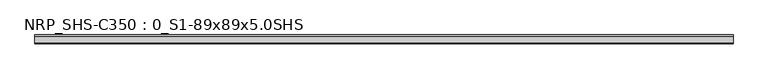
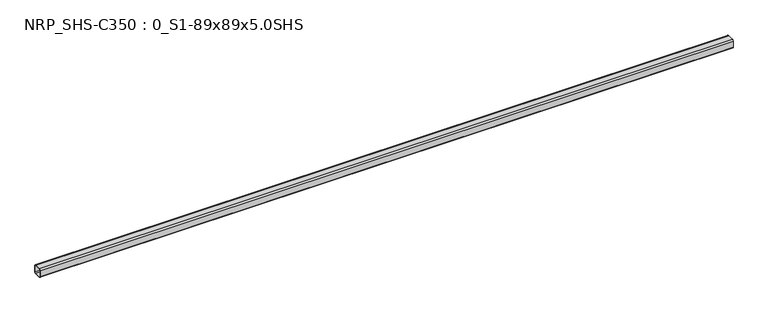
"""IFC4 building model written with IfcOpenShell, lengths in millimetres: beam geometry, NRP_SHS-C350 : 0_S1-89x89x5.0SHS."""

from ifc_helpers import new_model, si_unit, point, frame, frame_2d, origin, place, context, project, spatial, polyline, circle_curve, trimmed, segment, composite_curve, outline, extrude, source, transform, mapped, element, save


def nrp_shs_c350_0_s1_89x89x5_0shs_0ec16a89(model_context):
    return source(origin(), model_context, "Body", "SweptSolid", [
        extrude(outline(composite_curve([segment(polyline([(44.5, 32.0), (44.5, -32.0)]), True, "CONTINUOUS"), segment(trimmed(circle_curve(frame_2d((32.0, -32.0)), 12.5), [point((44.5, -32.0))], [point((32.0, -44.5))], False, "CARTESIAN"), True, "CONTINUOUS"), segment(polyline([(32.0, -44.5), (-32.0, -44.5)]), True, "CONTINUOUS"), segment(trimmed(circle_curve(frame_2d((-32.0, -32.0)), 12.5), [point((-32.0, -44.5))], [point((-44.5, -32.0))], False, "CARTESIAN"), True, "CONTINUOUS"), segment(polyline([(-44.5, -32.0), (-44.5, 32.0)]), True, "CONTINUOUS"), segment(trimmed(circle_curve(frame_2d((-32.0, 32.0)), 12.5), [point((-44.5, 32.0))], [point((-32.0, 44.5))], False, "CARTESIAN"), True, "CONTINUOUS"), segment(polyline([(-32.0, 44.5), (32.0, 44.5)]), True, "CONTINUOUS"), segment(trimmed(circle_curve(frame_2d((32.0, 32.0)), 12.5), [point((32.0, 44.5))], [point((44.5, 32.0))], False, "CARTESIAN"), True, "CONTINUOUS")], self_intersect=False), holes=[composite_curve([segment(trimmed(circle_curve(frame_2d((-32.0, 32.0)), 7.5), [point((-32.0, 39.5))], [point((-39.5, 32.0))], True, "CARTESIAN"), True, "CONTINUOUS"), segment(polyline([(-39.5, 32.0), (-39.5, -32.0)]), True, "CONTINUOUS"), segment(trimmed(circle_curve(frame_2d((-32.0, -32.0)), 7.5), [point((-39.5, -32.0))], [point((-32.0, -39.5))], True, "CARTESIAN"), True, "CONTINUOUS"), segment(polyline([(-32.0, -39.5), (32.0, -39.5)]), True, "CONTINUOUS"), segment(trimmed(circle_curve(frame_2d((32.0, -32.0)), 7.5), [point((32.0, -39.5))], [point((39.5, -32.0))], True, "CARTESIAN"), True, "CONTINUOUS"), segment(polyline([(39.5, -32.0), (39.5, 32.0)]), True, "CONTINUOUS"), segment(trimmed(circle_curve(frame_2d((32.0, 32.0)), 7.5), [point((39.5, 32.0))], [point((32.0, 39.5))], True, "CARTESIAN"), True, "CONTINUOUS"), segment(polyline([(32.0, 39.5), (-32.0, 39.5)]), True, "CONTINUOUS")], self_intersect=False)]), frame((-3439.0, 0.0, 0.0), z_axis=(1.0, 0.0, 0.0), x_axis=(0.0, 1.0, 0.0)), (0.0, 0.0, 1.0), 6932.0),
    ])


if __name__ == "__main__":
    model = new_model("IFC4")
    model_context = context("Model", 3, world=origin())
    ifc_project = project(units=[si_unit("LENGTHUNIT", "METRE", prefix="MILLI")], contexts=[model_context])
    site = spatial("IfcSite", under=ifc_project)
    building = spatial("IfcBuilding", under=site)
    placement = place(None, origin())
    nrp_shs_c350_0_s1_89x89x5_0shs_shape = nrp_shs_c350_0_s1_89x89x5_0shs_0ec16a89(model_context)
    element("IfcBeam", 1, ObjectType="NRP_SHS-C350 : 0_S1-89x89x5.0SHS", at=placement, inside=building, context=model_context, shape_type="MappedRepresentation", body=[
        mapped(nrp_shs_c350_0_s1_89x89x5_0shs_shape, transform((0.0, 0.0, 0.0), x_axis=(1.0, 0.0, 0.0), y_axis=(0.0, 1.0, 0.0), z_axis=(0.0, 0.0, 1.0))),
    ])
    save(model, "model.ifc")
